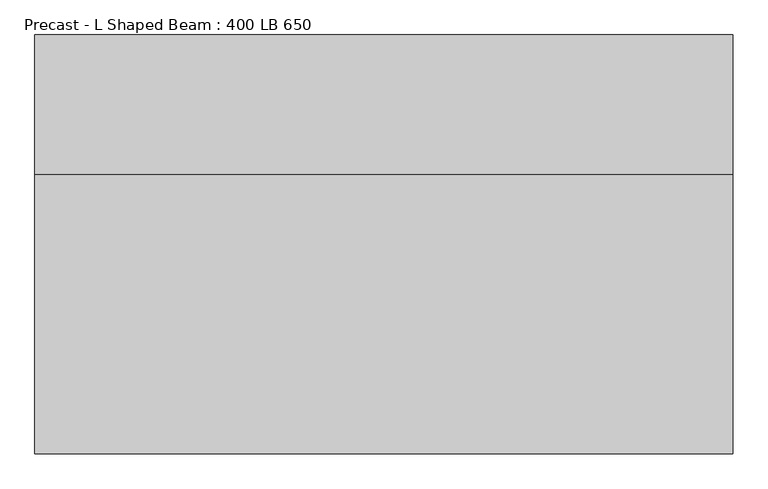
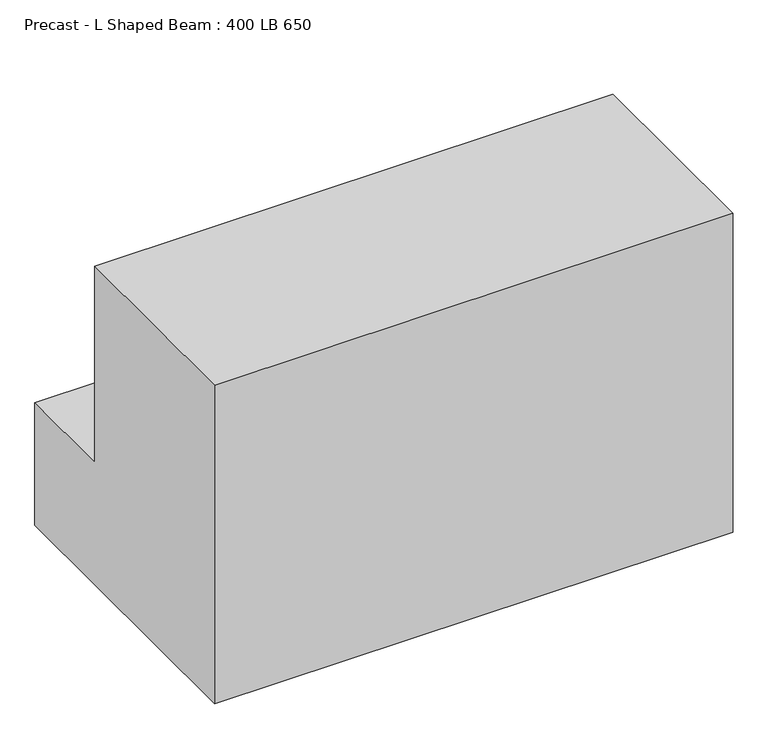
"""IFC4 building model written with IfcOpenShell, lengths in millimetres: beam geometry, Precast - L Shaped Beam : 400 LB 650."""

from ifc_helpers import new_model, si_unit, frame, origin, place, context, project, spatial, polyline, outline, extrude, source, transform, mapped, element, save


def precast_l_shaped_beam_400_lb_650_948f1c58(model_context):
    return source(origin(), model_context, "Body", "SweptSolid", [
        extrude(outline(polyline([(-300.0, -325.0), (-300.0, 325.0), (100.0, 325.0), (100.0, -75.0), (300.0, -75.0), (300.0, -325.0), (-300.0, -325.0)])), frame((-500.0, 0.0, 0.0), z_axis=(1.0, 0.0, 0.0), x_axis=(0.0, 1.0, 0.0)), (0.0, 0.0, 1.0), 1000.0),
    ])


if __name__ == "__main__":
    model = new_model("IFC4")
    model_context = context("Model", 3, world=origin())
    ifc_project = project(units=[si_unit("LENGTHUNIT", "METRE", prefix="MILLI")], contexts=[model_context])
    site = spatial("IfcSite", under=ifc_project)
    building = spatial("IfcBuilding", under=site)
    placement = place(None, origin())
    precast_l_shaped_beam_400_lb_650_shape = precast_l_shaped_beam_400_lb_650_948f1c58(model_context)
    element("IfcBeam", 1, ObjectType="Precast - L Shaped Beam : 400 LB 650", at=placement, inside=building, context=model_context, shape_type="MappedRepresentation", body=[
        mapped(precast_l_shaped_beam_400_lb_650_shape, transform((0.0, 0.0, 0.0), x_axis=(1.0, 0.0, 0.0), y_axis=(0.0, 1.0, 0.0), z_axis=(0.0, 0.0, 1.0))),
    ])
    save(model, "model.ifc")
